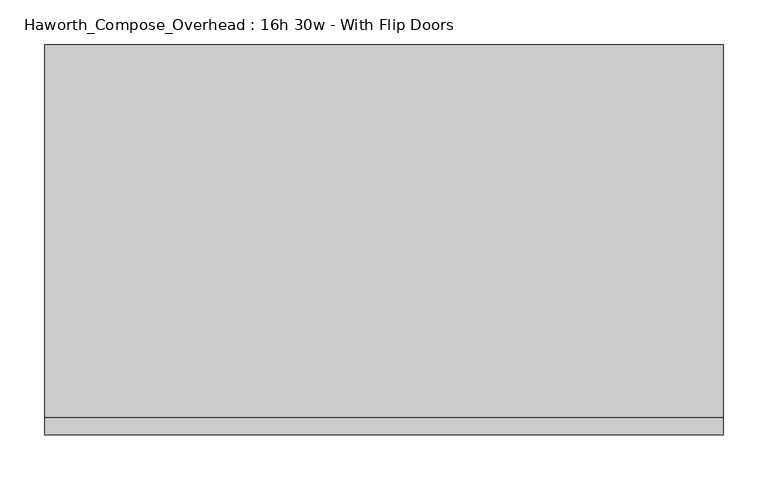
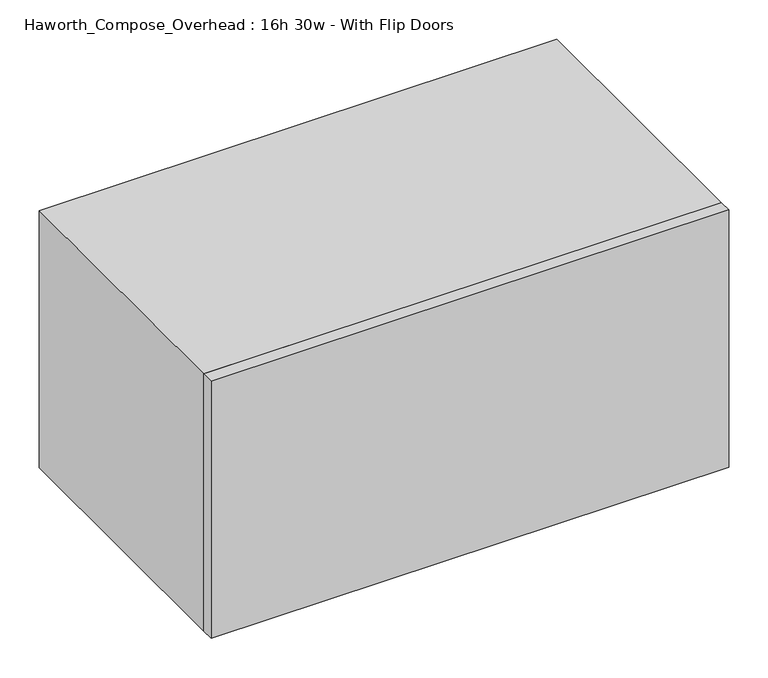
"""IFC4 building model written with IfcOpenShell, lengths in millimetres: furniture geometry, Haworth_Compose_Overhead : 16h 30w - With Flip Doors."""

from ifc_helpers import new_model, si_unit, frame, origin, place, context, project, spatial, polyline, outline, extrude, source, transform, mapped, element, save


def haworth_compose_overhead_16h_30w_with_flip_doors_8f24c409(model_context):
    return source(origin(), model_context, "Body", "SweptSolid", [
        extrude(outline(polyline([(546.1, -438.15), (-215.9, -438.15), (-215.9, -419.1), (546.1, -419.1), (546.1, -438.15)])), frame((0.0, 0.0, 1270.0), z_axis=(0.0, 0.0, 1.0), x_axis=(1.0, 0.0, 0.0)), (0.0, 0.0, 1.0), 400.05),
        extrude(outline(polyline([(520.7, -6.35), (-190.5, -6.35), (-190.5, 0.0), (520.7, 0.0), (520.7, -6.35)])), frame((0.0, 0.0, 1295.4), z_axis=(0.0, 0.0, 1.0), x_axis=(1.0, 0.0, 0.0)), (0.0, 0.0, 1.0), 349.25),
        extrude(outline(polyline([(1270.0, 546.1), (1670.05, 546.1), (1670.05, -215.9), (1270.0, -215.9), (1270.0, 546.1)]), holes=[polyline([(1644.65, 520.7), (1295.4, 520.7), (1295.4, -190.5), (1644.65, -190.5), (1644.65, 520.7)])]), frame((0.0, -419.1, 0.0), z_axis=(0.0, 1.0, 0.0), x_axis=(0.0, 0.0, 1.0)), (0.0, 0.0, 1.0), 419.1),
    ])


if __name__ == "__main__":
    model = new_model("IFC4")
    model_context = context("Model", 3, world=origin())
    ifc_project = project(units=[si_unit("LENGTHUNIT", "METRE", prefix="MILLI")], contexts=[model_context])
    site = spatial("IfcSite", under=ifc_project)
    building = spatial("IfcBuilding", under=site)
    placement = place(None, origin())
    haworth_compose_overhead_16h_30w_with_flip_doors_shape = haworth_compose_overhead_16h_30w_with_flip_doors_8f24c409(model_context)
    element("IfcFurniture", 1, ObjectType="Haworth_Compose_Overhead : 16h 30w - With Flip Doors", at=placement, inside=building, context=model_context, shape_type="MappedRepresentation", body=[
        mapped(haworth_compose_overhead_16h_30w_with_flip_doors_shape, transform((0.0, 0.0, 0.0), x_axis=(1.0, 0.0, 0.0), y_axis=(0.0, 1.0, 0.0), z_axis=(0.0, 0.0, 1.0))),
    ])
    save(model, "model.ifc")
